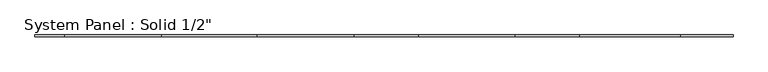
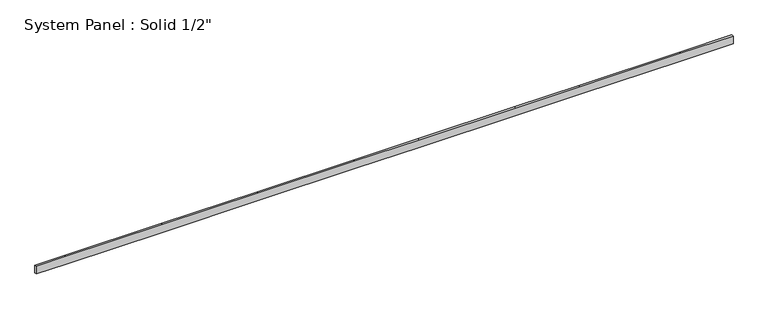
"""IFC4 building model written with IfcOpenShell, lengths in millimetres: plate geometry."""

from ifc_helpers import new_model, si_unit, frame, origin, place, context, project, spatial, polyline, outline, extrude, source, transform, mapped, element, save


def plate_25a3a07c(model_context):
    return source(origin(), model_context, "Body", "SweptSolid", [
        extrude(outline(polyline([(0.0, -2199.4464648), (0.0, -2010.6035352), (0.0, -1401.0035352), (0.0, -797.7535352), (0.0, -188.1535352), (0.0, 218.2464648), (0.0, 827.8464648), (0.0, 1234.2464648), (0.0, 1869.2464648), (0.0, 2199.4464648), (50.8, 2199.4464648), (50.8, 1869.2464648), (50.8, 1234.2464648), (50.8, 827.8464648), (50.8, 218.2464648), (50.8, -188.1535352), (50.8, -797.7535352), (50.8, -1401.0035352), (50.8, -2010.6035352), (50.8, -2199.4464648), (0.0, -2199.4464648)])), frame((0.0, -6.35, 0.0), z_axis=(0.0, 1.0, 0.0), x_axis=(0.0, 0.0, 1.0)), (0.0, 0.0, 1.0), 12.7),
    ])


if __name__ == "__main__":
    model = new_model("IFC4")
    model_context = context("Model", 3, world=origin())
    ifc_project = project(units=[si_unit("LENGTHUNIT", "METRE", prefix="MILLI")], contexts=[model_context])
    site = spatial("IfcSite", under=ifc_project)
    building = spatial("IfcBuilding", under=site)
    placement = place(None, origin())
    plate_shape = plate_25a3a07c(model_context)
    element("IfcPlate", 1, ObjectType="System Panel : Solid 1/2\"", at=placement, inside=building, context=model_context, shape_type="MappedRepresentation", body=[
        mapped(plate_shape, transform((0.0, 0.0, 0.0), x_axis=(1.0, 0.0, 0.0), y_axis=(0.0, 1.0, 0.0), z_axis=(0.0, 0.0, 1.0))),
    ])
    save(model, "model.ifc")
